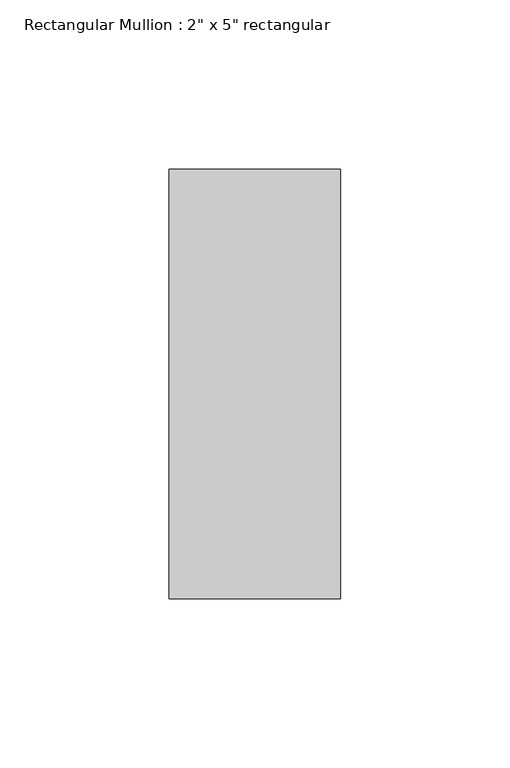
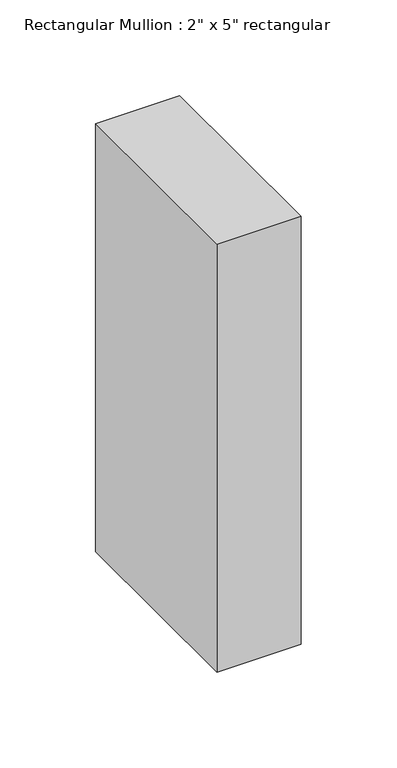
"""IFC4 building model written with IfcOpenShell, lengths in millimetres: member geometry."""

import ifcopenshell
import ifcopenshell.guid

model = None  # the IFC model being written
_history = None  # IfcOwnerHistory: only IFC2X3 demands one
_inside = {}  # id of a spatial element -> (the spatial element, [elements in it])
_under = {}  # id of a project, library or spatial element -> (it, [spatial elements below it])
_declared = {}  # id of a project -> (the project, [libraries it declares])
_typed = {}  # id of a type object -> (the type object, [elements of that type])
_made_of = {}  # id of a material, layer set ... -> (it, [elements and type objects made of it])


def new_model(schema):
    """Start an empty IFC model of exactly this schema.

    Asked for "IFC4X3", IfcOpenShell would pick the latest addendum, in which some entities
    have other attributes; the version numbers below select the first issue.
    IFC2X3 requires an IfcOwnerHistory on every rooted entity: one is made here for all.
    """
    global model, _history
    if schema == "IFC4X3":
        model = ifcopenshell.file(schema_version=(4, 3, 0, 0))
    else:
        model = ifcopenshell.file(schema=schema)
    _inside.clear()
    _under.clear()
    _declared.clear()
    _typed.clear()
    _made_of.clear()
    _history = None
    if model.schema == "IFC2X3":
        org = make("IfcOrganization", Name="unknown")
        user = make(
            "IfcPersonAndOrganization",
            ThePerson=make("IfcPerson", FamilyName="unknown"),
            TheOrganization=org,
        )
        app = make(
            "IfcApplication",
            ApplicationDeveloper=org,
            Version="unknown",
            ApplicationFullName="unknown",
            ApplicationIdentifier="unknown",
        )
        _history = make(
            "IfcOwnerHistory",
            OwningUser=user,
            OwningApplication=app,
            ChangeAction="ADDED",
            CreationDate=0,
        )
    return model


def make(cls, **values):
    """One entity of the class cls with the attributes given. An attribute that is None is left unset."""
    return model.create_entity(
        cls, **{name: value for name, value in values.items() if value is not None}
    )


def rooted(cls, **values):
    """An entity with a GlobalId (a new one), such as an element, a storey or a relation."""
    return make(cls, GlobalId=ifcopenshell.guid.new(), OwnerHistory=_history, **values)


def si_unit(unit_type, name, prefix=None):
    """IfcSIUnit, for example si_unit("LENGTHUNIT", "METRE", prefix="MILLI")."""
    return make("IfcSIUnit", UnitType=unit_type, Prefix=prefix, Name=name)


def assignment(units):
    """IfcUnitAssignment: the units of a project."""
    return None if units is None else make("IfcUnitAssignment", Units=units)


def point(xyz):
    """IfcCartesianPoint."""
    return None if xyz is None else make("IfcCartesianPoint", Coordinates=xyz)


def direction(xyz):
    """IfcDirection."""
    return None if xyz is None else make("IfcDirection", DirectionRatios=xyz)


def frame(location, z_axis=None, x_axis=None):
    """IfcAxis2Placement3D, a coordinate frame: its origin and axes. An axis left out is left unset."""
    return make(
        "IfcAxis2Placement3D",
        Location=point(location),
        Axis=direction(z_axis),
        RefDirection=direction(x_axis),
    )


def origin():
    """The frame at (0, 0, 0) with its axes left unset."""
    return frame((0.0, 0.0, 0.0))


def place(relative_to, where):
    """IfcLocalPlacement: puts the frame where relative to a parent placement (None: the world)."""
    return make(
        "IfcLocalPlacement", PlacementRelTo=relative_to, RelativePlacement=where
    )


def context(
    kind, dimensions, precision=None, world=None, true_north=None, identifier=None
):
    """IfcGeometricRepresentationContext, for example the 3D "Model" context."""
    return make(
        "IfcGeometricRepresentationContext",
        ContextIdentifier=identifier,
        ContextType=kind,
        CoordinateSpaceDimension=dimensions,
        Precision=precision,
        WorldCoordinateSystem=world,
        TrueNorth=true_north,
    )


def project(units=None, contexts=None):
    """IfcProject with its units and contexts."""
    return rooted(
        "IfcProject",
        Name="project",
        RepresentationContexts=contexts,
        UnitsInContext=assignment(units),
    )


def spatial(cls, under=None, at=None, **own):
    """A site, building, storey or space (cls), placed at a placement, below another one or the project."""
    s = rooted(cls, ObjectPlacement=at, **own)
    if under is not None:
        _under.setdefault(under.id(), (under, []))[1].append(s)
    return s


def polyline(points):
    """IfcPolyline through the points."""
    return make("IfcPolyline", Points=[point(p) for p in points])


def outline(outer, holes=None, kind="AREA"):
    """IfcArbitraryClosedProfileDef: a profile drawn as a closed curve; with holes, ...WithVoids."""
    if holes is None:
        return make("IfcArbitraryClosedProfileDef", ProfileType=kind, OuterCurve=outer)
    return make(
        "IfcArbitraryProfileDefWithVoids",
        ProfileType=kind,
        OuterCurve=outer,
        InnerCurves=holes,
    )


def extrude(swept, where, along, depth):
    """IfcExtrudedAreaSolid: the profile swept, set in the frame where, extruded along a direction by depth."""
    return make(
        "IfcExtrudedAreaSolid",
        SweptArea=swept,
        Position=where,
        ExtrudedDirection=direction(along),
        Depth=depth,
    )


def shape(context_of_items, identifier, shape_type, items):
    """IfcShapeRepresentation: the items that make up one representation, for example the "Body"."""
    return make(
        "IfcShapeRepresentation",
        ContextOfItems=context_of_items,
        RepresentationIdentifier=identifier,
        RepresentationType=shape_type,
        Items=items,
    )


def source(mapping_origin, context_of_items, identifier, shape_type, items):
    """IfcRepresentationMap: a shape defined once, which mapped items show again and again."""
    return make(
        "IfcRepresentationMap",
        MappingOrigin=mapping_origin,
        MappedRepresentation=shape(context_of_items, identifier, shape_type, items),
    )


def transform(
    local_origin,
    x_axis=None,
    y_axis=None,
    z_axis=None,
    scale=None,
    scale2=None,
    scale3=None,
    uniform=True,
):
    """IfcCartesianTransformationOperator3D, or its non-uniform kind. x_axis, y_axis, z_axis: its Axis1, 2, 3."""
    if uniform:
        return make(
            "IfcCartesianTransformationOperator3D",
            Axis1=direction(x_axis),
            Axis2=direction(y_axis),
            LocalOrigin=point(local_origin),
            Scale=scale,
            Axis3=direction(z_axis),
        )
    return make(
        "IfcCartesianTransformationOperator3DnonUniform",
        Axis1=direction(x_axis),
        Axis2=direction(y_axis),
        LocalOrigin=point(local_origin),
        Scale=scale,
        Axis3=direction(z_axis),
        Scale2=scale2,
        Scale3=scale3,
    )


def mapped(mapping_source, mapping_target):
    """IfcMappedItem: shows the shape of a source again, moved by a transform."""
    return make(
        "IfcMappedItem", MappingSource=mapping_source, MappingTarget=mapping_target
    )


def made_of(thing, what):
    """Note that an element or type object is made of a material, layer set ...; save() writes the relation."""
    if what is not None:
        _made_of.setdefault(what.id(), (what, []))[1].append(thing)
    return thing


def element(
    cls,
    number,
    at=None,
    inside=None,
    cuts=None,
    type_object=None,
    material=None,
    context=None,
    identifier="Body",
    shape_type=None,
    held_by="IfcProductDefinitionShape",
    body=None,
    shapes=None,
    **own,
):
    """One element of the class cls, such as IfcWall. Its Tag is "e" and its number.

    at: its placement. inside: the storey or other place that contains it. cuts: it is an
    opening in that element (IfcRelVoidsElement). A single representation is given by context,
    identifier, shape_type and body (its items); several are given by shapes. held_by: the class
    of the entity that holds the representations. save() writes the other relations.
    """
    e = rooted(cls, Tag="e%d" % number, ObjectPlacement=at, **own)
    if body is not None:
        shapes = [shape(context, identifier, shape_type, body)]
    if shapes is not None:
        e.Representation = make(held_by, Representations=shapes)
    if inside is not None:
        _inside.setdefault(inside.id(), (inside, []))[1].append(e)
    if cuts is not None:
        rooted(
            "IfcRelVoidsElement", RelatingBuildingElement=cuts, RelatedOpeningElement=e
        )
    if type_object is not None:
        _typed.setdefault(type_object.id(), (type_object, []))[1].append(e)
    return made_of(e, material)


def aggregate(whole, parts):
    """IfcRelAggregates: a whole, such as a stair, and the parts it consists of."""
    return rooted("IfcRelAggregates", RelatingObject=whole, RelatedObjects=parts)


def save(model, path):
    """Write the relations noted so far, then the file.

    IfcRelAggregates (storeys below a building ...), IfcRelContainedInSpatialStructure (elements
    in a storey), IfcRelDefinesByType, IfcRelAssociatesMaterial and IfcRelDeclares: one each for
    every whole, place, type object, material and project.
    """
    for whole, parts in _under.values():
        aggregate(whole, parts)
    for where, things in _inside.values():
        rooted(
            "IfcRelContainedInSpatialStructure",
            RelatedElements=things,
            RelatingStructure=where,
        )
    for kind, things in _typed.values():
        rooted("IfcRelDefinesByType", RelatedObjects=things, RelatingType=kind)
    for what, things in _made_of.values():
        rooted("IfcRelAssociatesMaterial", RelatedObjects=things, RelatingMaterial=what)
    for by, libraries in _declared.values():
        rooted("IfcRelDeclares", RelatingContext=by, RelatedDefinitions=libraries)
    model.write(path)


def member_fd502af3(model_context):
    return source(origin(), model_context, "Body", "SweptSolid", [
        extrude(outline(polyline([(0.0, 63.5), (0.0, -63.5), (-50.8, -63.5), (-50.8, 63.5), (0.0, 63.5)])), frame((0.0, 0.0, -273.05), z_axis=(0.0, 0.0, 1.0), x_axis=(1.0, 0.0, 0.0)), (0.0, 0.0, 1.0), 273.05),
    ])


if __name__ == "__main__":
    model = new_model("IFC4")
    model_context = context("Model", 3, world=origin())
    ifc_project = project(units=[si_unit("LENGTHUNIT", "METRE", prefix="MILLI")], contexts=[model_context])
    site = spatial("IfcSite", under=ifc_project)
    building = spatial("IfcBuilding", under=site)
    placement = place(None, origin())
    member_shape = member_fd502af3(model_context)
    element("IfcMember", 1, ObjectType="Rectangular Mullion : 2\" x 5\" rectangular", at=placement, inside=building, context=model_context, shape_type="MappedRepresentation", body=[
        mapped(member_shape, transform((0.0, 0.0, 0.0), x_axis=(1.0, 0.0, 0.0), y_axis=(0.0, 1.0, 0.0), z_axis=(0.0, 0.0, 1.0))),
    ])
    save(model, "model.ifc")
